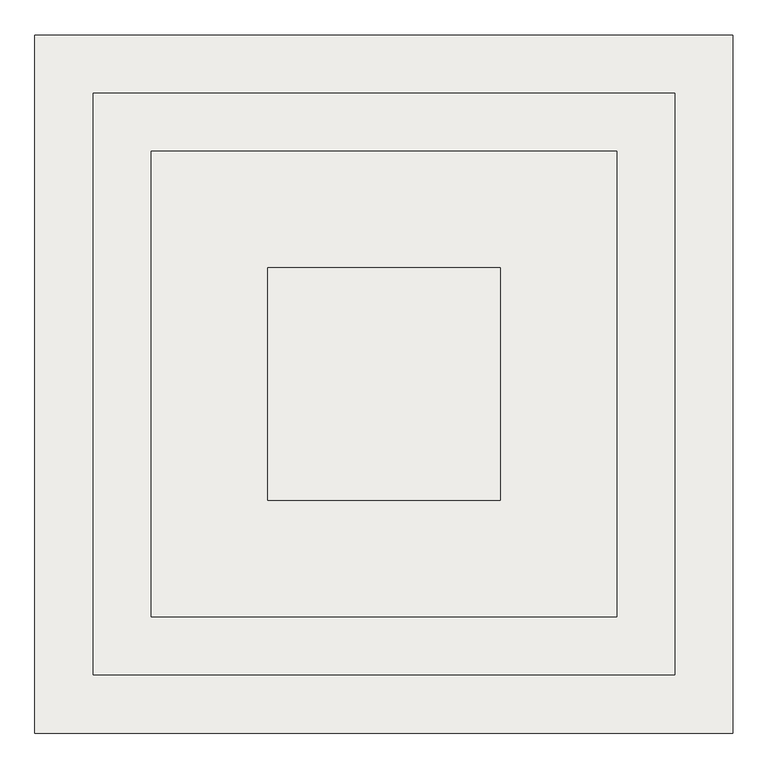
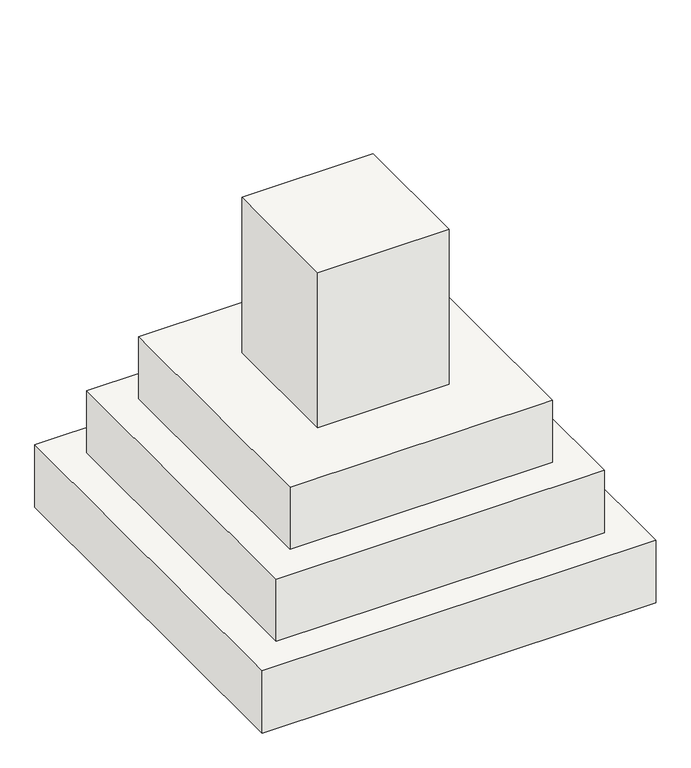
"""IFC4 building model written with IfcOpenShell, lengths in millimetres: slab geometry."""

from ifc_helpers import new_model, si_unit, origin, place, context, project, spatial, faceted_brep, source, transform, mapped, element, save


def slab_1c97b788(model_context):
    return source(origin(), model_context, "Body", "Brep", [
        faceted_brep([(200.0, 200.0, 1100.0), (-200.0, 200.0, 1100.0), (-200.0, -200.0, 1100.0), (200.0, -200.0, 1100.0), (200.0, -200.0, 600.0), (200.0, 200.0, 600.0), (-200.0, -200.0, 600.0), (-200.0, 200.0, 600.0), (400.0, 400.0, 600.0), (-400.0, 400.0, 600.0), (-400.0, -400.0, 600.0), (400.0, -400.0, 600.0), (400.0, -400.0, 400.0), (400.0, 400.0, 400.0), (-400.0, -400.0, 400.0), (-400.0, 400.0, 400.0), (-500.0, 500.0, 400.0), (-500.0, -500.0, 400.0), (500.0, -500.0, 400.0), (500.0, 500.0, 400.0), (500.0, 500.0, 200.0), (-500.0, 500.0, 200.0), (500.0, -500.0, 200.0), (-500.0, -500.0, 200.0), (-600.0, 600.0, 0.0), (600.0, 600.0, 0.0), (600.0, -600.0, 0.0), (-600.0, -600.0, 0.0), (-600.0, 600.0, 200.0), (-600.0, -600.0, 200.0), (600.0, -600.0, 200.0), (600.0, 600.0, 200.0)], [[[0, 1, 2, 3]], [[0, 3, 4, 5]], [[3, 2, 6, 4]], [[2, 1, 7, 6]], [[1, 0, 5, 7]], [[8, 9, 10, 11], [5, 4, 6, 7]], [[8, 11, 12, 13]], [[11, 10, 14, 12]], [[10, 9, 15, 14]], [[9, 8, 13, 15]], [[16, 17, 18, 19], [13, 12, 14, 15]], [[16, 19, 20, 21]], [[19, 18, 22, 20]], [[18, 17, 23, 22]], [[17, 16, 21, 23]], [[24, 25, 26, 27]], [[28, 29, 30, 31], [21, 20, 22, 23]], [[24, 27, 29, 28]], [[27, 26, 30, 29]], [[26, 25, 31, 30]], [[25, 24, 28, 31]]]),
    ])


if __name__ == "__main__":
    model = new_model("IFC4")
    model_context = context("Model", 3, world=origin())
    ifc_project = project(units=[si_unit("LENGTHUNIT", "METRE", prefix="MILLI")], contexts=[model_context])
    site = spatial("IfcSite", under=ifc_project)
    building = spatial("IfcBuilding", under=site)
    placement = place(None, origin())
    slab_shape = slab_1c97b788(model_context)
    element("IfcSlab", 1, at=placement, inside=building, context=model_context, shape_type="MappedRepresentation", body=[
        mapped(slab_shape, transform((0.0, 0.0, 0.0), x_axis=(1.0, 0.0, 0.0), y_axis=(0.0, 1.0, 0.0), z_axis=(0.0, 0.0, 1.0))),
    ])
    save(model, "model.ifc")
